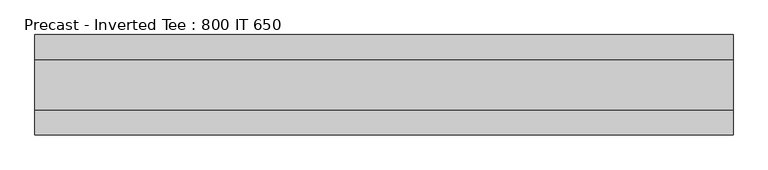
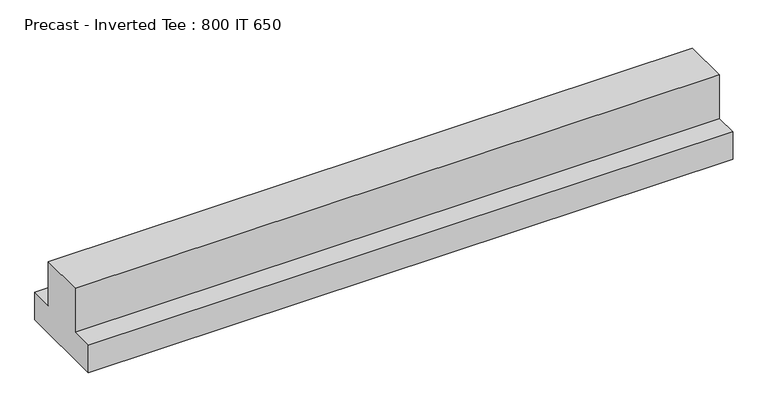
"""IFC4 building model written with IfcOpenShell, lengths in millimetres: beam geometry, Precast - Inverted Tee : 800 IT 650."""

from ifc_helpers import new_model, si_unit, frame, origin, place, context, project, spatial, polyline, outline, extrude, source, transform, mapped, element, save


def precast_inverted_tee_800_it_650_bde82fb4(model_context):
    return source(origin(), model_context, "Body", "SweptSolid", [
        extrude(outline(polyline([(400.0, -325.0), (-400.0, -325.0), (-400.0, -75.0), (-200.0, -75.0), (-200.0, 325.0), (200.0, 325.0), (200.0, -75.0), (400.0, -75.0), (400.0, -325.0)])), frame((-2780.0, 0.0, 0.0), z_axis=(1.0, 0.0, 0.0), x_axis=(0.0, 1.0, 0.0)), (0.0, 0.0, 1.0), 5560.0),
    ])


if __name__ == "__main__":
    model = new_model("IFC4")
    model_context = context("Model", 3, world=origin())
    ifc_project = project(units=[si_unit("LENGTHUNIT", "METRE", prefix="MILLI")], contexts=[model_context])
    site = spatial("IfcSite", under=ifc_project)
    building = spatial("IfcBuilding", under=site)
    placement = place(None, origin())
    precast_inverted_tee_800_it_650_shape = precast_inverted_tee_800_it_650_bde82fb4(model_context)
    element("IfcBeam", 1, ObjectType="Precast - Inverted Tee : 800 IT 650", at=placement, inside=building, context=model_context, shape_type="MappedRepresentation", body=[
        mapped(precast_inverted_tee_800_it_650_shape, transform((0.0, 0.0, 0.0), x_axis=(1.0, 0.0, 0.0), y_axis=(0.0, 1.0, 0.0), z_axis=(0.0, 0.0, 1.0))),
    ])
    save(model, "model.ifc")
